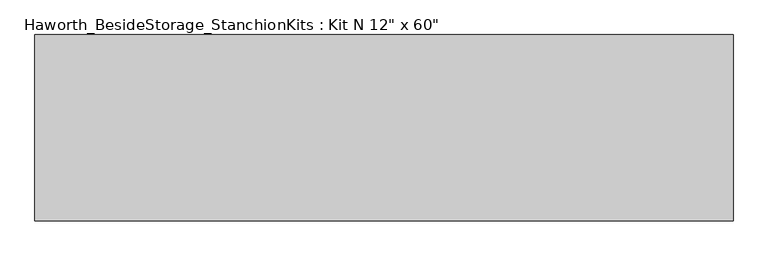
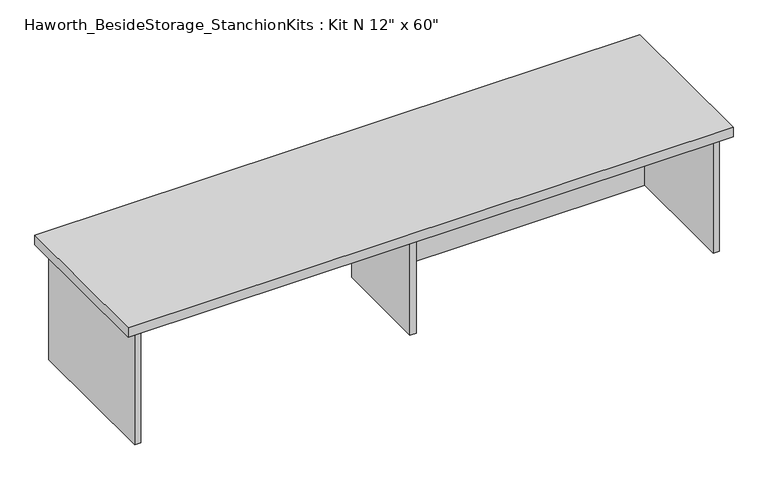
"""IFC4 building model written with IfcOpenShell, lengths in millimetres: furniture geometry."""

from ifc_helpers import new_model, si_unit, frame, origin, place, context, project, spatial, polyline, outline, extrude, source, transform, mapped, element, save


def furniture_3d381ed6(model_context):
    return source(origin(), model_context, "Body", "SweptSolid", [
        extrude(outline(polyline([(923.925, 0.0), (923.925, -406.4), (-600.075, -406.4), (-600.075, 0.0), (923.925, 0.0)])), frame((0.0, 0.0, 736.6), z_axis=(0.0, 0.0, 1.0), x_axis=(1.0, 0.0, 0.0)), (0.0, 0.0, 1.0), 25.4),
        extrude(outline(polyline([(169.8625, -76.2), (882.65, -76.2), (882.65, -92.075), (169.8625, -92.075), (169.8625, -76.2)])), frame((0.0, 0.0, 431.8), z_axis=(0.0, 0.0, 1.0), x_axis=(1.0, 0.0, 0.0)), (0.0, 0.0, 1.0), 304.8),
        extrude(outline(polyline([(169.8625, -330.2), (153.9875, -330.2), (153.9875, -76.2), (169.8625, -76.2), (169.8625, -330.2)])), frame((0.0, 0.0, 431.8), z_axis=(0.0, 0.0, 1.0), x_axis=(1.0, 0.0, 0.0)), (0.0, 0.0, 1.0), 304.8),
        extrude(outline(polyline([(898.525, -390.525), (882.65, -390.525), (882.65, -15.875), (898.525, -15.875), (898.525, -390.525)])), frame((0.0, 0.0, 431.8), z_axis=(0.0, 0.0, 1.0), x_axis=(1.0, 0.0, 0.0)), (0.0, 0.0, 1.0), 304.8),
        extrude(outline(polyline([(-558.8, -390.525), (-574.675, -390.525), (-574.675, -15.875), (-558.8, -15.875), (-558.8, -390.525)])), frame((0.0, 0.0, 431.8), z_axis=(0.0, 0.0, 1.0), x_axis=(1.0, 0.0, 0.0)), (0.0, 0.0, 1.0), 304.8),
    ])


if __name__ == "__main__":
    model = new_model("IFC4")
    model_context = context("Model", 3, world=origin())
    ifc_project = project(units=[si_unit("LENGTHUNIT", "METRE", prefix="MILLI")], contexts=[model_context])
    site = spatial("IfcSite", under=ifc_project)
    building = spatial("IfcBuilding", under=site)
    placement = place(None, origin())
    furniture_shape = furniture_3d381ed6(model_context)
    element("IfcFurniture", 1, ObjectType="Haworth_BesideStorage_StanchionKits : Kit N 12\" x 60\"", at=placement, inside=building, context=model_context, shape_type="MappedRepresentation", body=[
        mapped(furniture_shape, transform((0.0, 0.0, 0.0), x_axis=(1.0, 0.0, 0.0), y_axis=(0.0, 1.0, 0.0), z_axis=(0.0, 0.0, 1.0))),
    ])
    save(model, "model.ifc")
